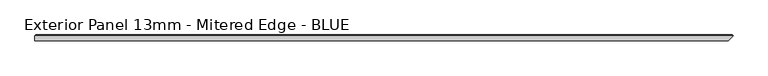
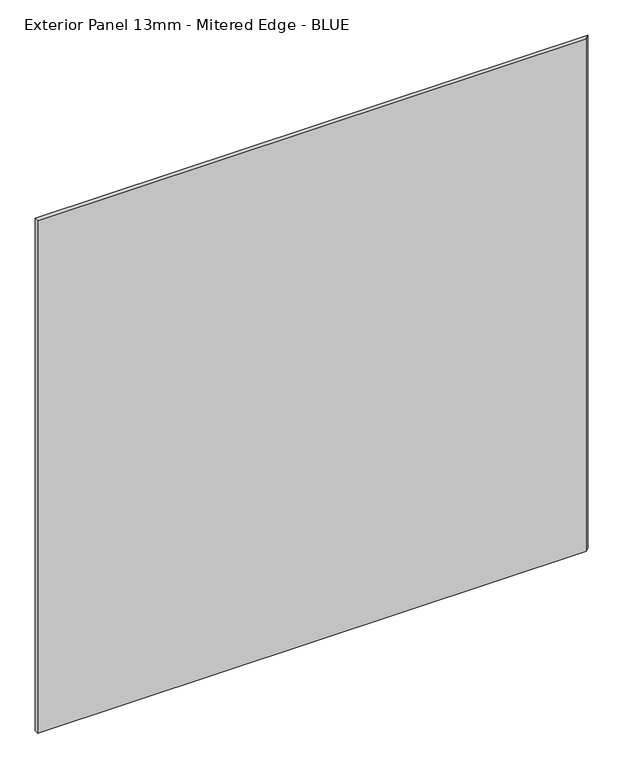
"""IFC4 building model written with IfcOpenShell, lengths in millimetres: proxy geometry, Exterior Panel 13mm - Mitered Edge - BLUE."""

from ifc_helpers import new_model, si_unit, origin, place, context, project, spatial, faceted_brep, source, transform, mapped, element, save


def exterior_panel_13mm_mitered_edge_blue_3d926dbc(model_context):
    return source(origin(), model_context, "Body", "Brep", [
        faceted_brep([(1087.4375, -6.35, 1524.0), (1098.55, 4.7625, 1524.0), (-457.2, 4.7625, 1524.0), (-457.2, -6.35, 1524.0), (1087.4375, -6.35, 0.0), (-457.2, -6.35, 0.0), (-457.2, 4.7625, 0.0), (1098.55, 4.7625, 0.0), (-455.6125, 6.35, 1522.4125), (1096.9625, 6.35, 1522.4125), (1096.9625, 6.35, 1.5875), (-455.6125, 6.35, 1.5875)], [[[0, 1, 2, 3]], [[4, 5, 6, 7]], [[3, 5, 4, 0]], [[2, 6, 5, 3]], [[8, 9, 10, 11]], [[2, 8, 11, 6]], [[7, 10, 9, 1]], [[1, 9, 8, 2]], [[6, 11, 10, 7]], [[0, 4, 7, 1]]]),
    ])


if __name__ == "__main__":
    model = new_model("IFC4")
    model_context = context("Model", 3, world=origin())
    ifc_project = project(units=[si_unit("LENGTHUNIT", "METRE", prefix="MILLI")], contexts=[model_context])
    site = spatial("IfcSite", under=ifc_project)
    building = spatial("IfcBuilding", under=site)
    placement = place(None, origin())
    exterior_panel_13mm_mitered_edge_blue_shape = exterior_panel_13mm_mitered_edge_blue_3d926dbc(model_context)
    element("IfcBuildingElementProxy", 1, Name="Exterior Panel 13mm - Mitered Edge - BLUE", ObjectType="Exterior Panel 13mm - Mitered Edge - BLUE", at=placement, inside=building, context=model_context, shape_type="MappedRepresentation", body=[
        mapped(exterior_panel_13mm_mitered_edge_blue_shape, transform((0.0, 0.0, 0.0), x_axis=(1.0, 0.0, 0.0), y_axis=(0.0, 1.0, 0.0), z_axis=(0.0, 0.0, 1.0))),
    ])
    save(model, "model.ifc")
